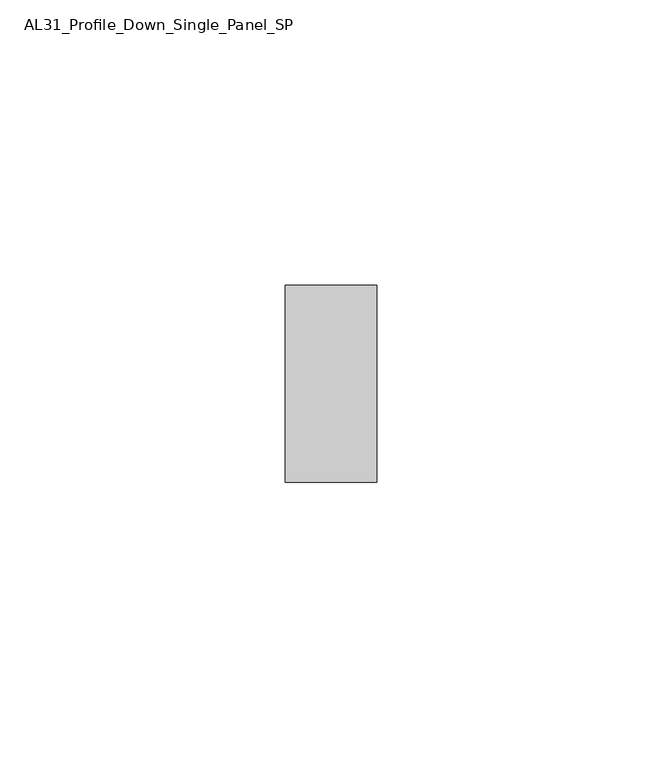
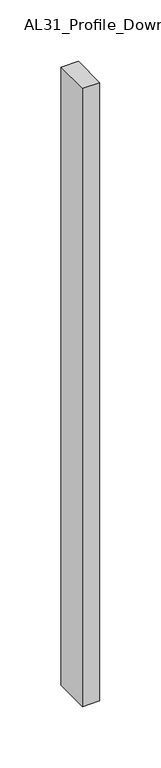
"""IFC4 building model written with IfcOpenShell, lengths in millimetres: member geometry, AL31_Profile_Down_Single_Panel_SP."""

from ifc_helpers import new_model, si_unit, frame, origin, place, context, project, spatial, polyline, outline, extrude, source, transform, mapped, element, save


def al31_profile_down_single_panel_sp_5c203928(model_context):
    return source(origin(), model_context, "Body", "SweptSolid", [
        extrude(outline(polyline([(0.0, -17.25), (-16.0, -17.25), (-16.0, 17.25), (0.0, 17.25), (0.0, -17.25)])), frame((0.0, 0.0, -613.7563621), z_axis=(0.0, 0.0, 1.0), x_axis=(1.0, 0.0, 0.0)), (0.0, 0.0, 1.0), 613.7563621),
    ])


if __name__ == "__main__":
    model = new_model("IFC4")
    model_context = context("Model", 3, world=origin())
    ifc_project = project(units=[si_unit("LENGTHUNIT", "METRE", prefix="MILLI")], contexts=[model_context])
    site = spatial("IfcSite", under=ifc_project)
    building = spatial("IfcBuilding", under=site)
    placement = place(None, origin())
    al31_profile_down_single_panel_sp_shape = al31_profile_down_single_panel_sp_5c203928(model_context)
    element("IfcMember", 1, ObjectType="AL31_Profile_Down_Single_Panel_SP", at=placement, inside=building, context=model_context, shape_type="MappedRepresentation", body=[
        mapped(al31_profile_down_single_panel_sp_shape, transform((0.0, 0.0, 0.0), x_axis=(1.0, 0.0, 0.0), y_axis=(0.0, 1.0, 0.0), z_axis=(0.0, 0.0, 1.0))),
    ])
    save(model, "model.ifc")
